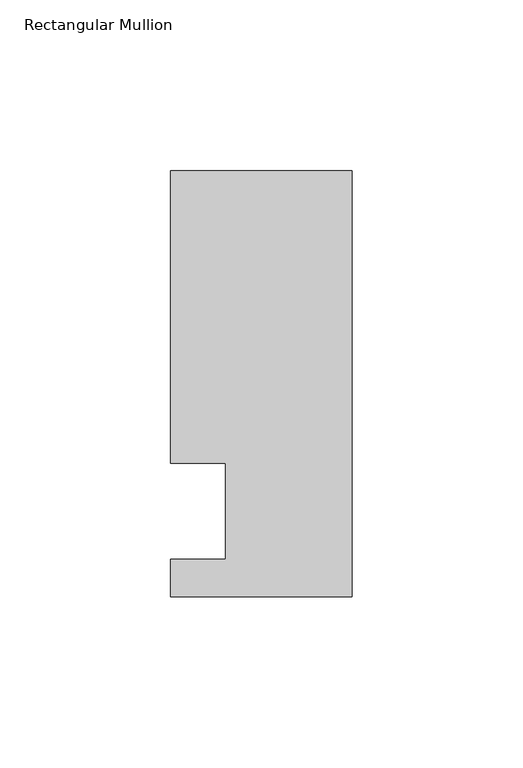
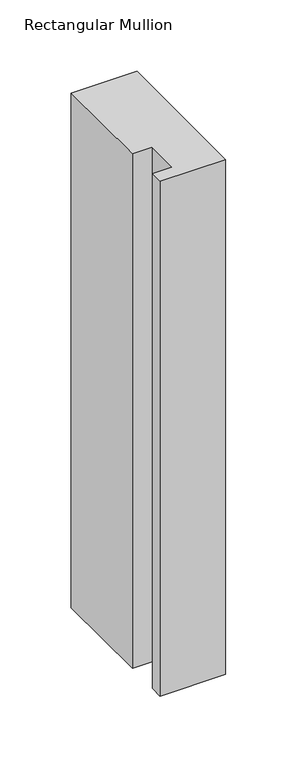
"""IFC4 building model written with IfcOpenShell, lengths in millimetres: member geometry, Rectangular Mullion."""

import ifcopenshell
import ifcopenshell.guid

model = None  # the IFC model being written
_history = None  # IfcOwnerHistory: only IFC2X3 demands one
_inside = {}  # id of a spatial element -> (the spatial element, [elements in it])
_under = {}  # id of a project, library or spatial element -> (it, [spatial elements below it])
_declared = {}  # id of a project -> (the project, [libraries it declares])
_typed = {}  # id of a type object -> (the type object, [elements of that type])
_made_of = {}  # id of a material, layer set ... -> (it, [elements and type objects made of it])


def new_model(schema):
    """Start an empty IFC model of exactly this schema.

    Asked for "IFC4X3", IfcOpenShell would pick the latest addendum, in which some entities
    have other attributes; the version numbers below select the first issue.
    IFC2X3 requires an IfcOwnerHistory on every rooted entity: one is made here for all.
    """
    global model, _history
    if schema == "IFC4X3":
        model = ifcopenshell.file(schema_version=(4, 3, 0, 0))
    else:
        model = ifcopenshell.file(schema=schema)
    _inside.clear()
    _under.clear()
    _declared.clear()
    _typed.clear()
    _made_of.clear()
    _history = None
    if model.schema == "IFC2X3":
        org = make("IfcOrganization", Name="unknown")
        user = make(
            "IfcPersonAndOrganization",
            ThePerson=make("IfcPerson", FamilyName="unknown"),
            TheOrganization=org,
        )
        app = make(
            "IfcApplication",
            ApplicationDeveloper=org,
            Version="unknown",
            ApplicationFullName="unknown",
            ApplicationIdentifier="unknown",
        )
        _history = make(
            "IfcOwnerHistory",
            OwningUser=user,
            OwningApplication=app,
            ChangeAction="ADDED",
            CreationDate=0,
        )
    return model


def make(cls, **values):
    """One entity of the class cls with the attributes given. An attribute that is None is left unset."""
    return model.create_entity(
        cls, **{name: value for name, value in values.items() if value is not None}
    )


def rooted(cls, **values):
    """An entity with a GlobalId (a new one), such as an element, a storey or a relation."""
    return make(cls, GlobalId=ifcopenshell.guid.new(), OwnerHistory=_history, **values)


def si_unit(unit_type, name, prefix=None):
    """IfcSIUnit, for example si_unit("LENGTHUNIT", "METRE", prefix="MILLI")."""
    return make("IfcSIUnit", UnitType=unit_type, Prefix=prefix, Name=name)


def assignment(units):
    """IfcUnitAssignment: the units of a project."""
    return None if units is None else make("IfcUnitAssignment", Units=units)


def point(xyz):
    """IfcCartesianPoint."""
    return None if xyz is None else make("IfcCartesianPoint", Coordinates=xyz)


def direction(xyz):
    """IfcDirection."""
    return None if xyz is None else make("IfcDirection", DirectionRatios=xyz)


def frame(location, z_axis=None, x_axis=None):
    """IfcAxis2Placement3D, a coordinate frame: its origin and axes. An axis left out is left unset."""
    return make(
        "IfcAxis2Placement3D",
        Location=point(location),
        Axis=direction(z_axis),
        RefDirection=direction(x_axis),
    )


def origin():
    """The frame at (0, 0, 0) with its axes left unset."""
    return frame((0.0, 0.0, 0.0))


def place(relative_to, where):
    """IfcLocalPlacement: puts the frame where relative to a parent placement (None: the world)."""
    return make(
        "IfcLocalPlacement", PlacementRelTo=relative_to, RelativePlacement=where
    )


def context(
    kind, dimensions, precision=None, world=None, true_north=None, identifier=None
):
    """IfcGeometricRepresentationContext, for example the 3D "Model" context."""
    return make(
        "IfcGeometricRepresentationContext",
        ContextIdentifier=identifier,
        ContextType=kind,
        CoordinateSpaceDimension=dimensions,
        Precision=precision,
        WorldCoordinateSystem=world,
        TrueNorth=true_north,
    )


def project(units=None, contexts=None):
    """IfcProject with its units and contexts."""
    return rooted(
        "IfcProject",
        Name="project",
        RepresentationContexts=contexts,
        UnitsInContext=assignment(units),
    )


def spatial(cls, under=None, at=None, **own):
    """A site, building, storey or space (cls), placed at a placement, below another one or the project."""
    s = rooted(cls, ObjectPlacement=at, **own)
    if under is not None:
        _under.setdefault(under.id(), (under, []))[1].append(s)
    return s


def polyline(points):
    """IfcPolyline through the points."""
    return make("IfcPolyline", Points=[point(p) for p in points])


def outline(outer, holes=None, kind="AREA"):
    """IfcArbitraryClosedProfileDef: a profile drawn as a closed curve; with holes, ...WithVoids."""
    if holes is None:
        return make("IfcArbitraryClosedProfileDef", ProfileType=kind, OuterCurve=outer)
    return make(
        "IfcArbitraryProfileDefWithVoids",
        ProfileType=kind,
        OuterCurve=outer,
        InnerCurves=holes,
    )


def extrude(swept, where, along, depth):
    """IfcExtrudedAreaSolid: the profile swept, set in the frame where, extruded along a direction by depth."""
    return make(
        "IfcExtrudedAreaSolid",
        SweptArea=swept,
        Position=where,
        ExtrudedDirection=direction(along),
        Depth=depth,
    )


def shape(context_of_items, identifier, shape_type, items):
    """IfcShapeRepresentation: the items that make up one representation, for example the "Body"."""
    return make(
        "IfcShapeRepresentation",
        ContextOfItems=context_of_items,
        RepresentationIdentifier=identifier,
        RepresentationType=shape_type,
        Items=items,
    )


def source(mapping_origin, context_of_items, identifier, shape_type, items):
    """IfcRepresentationMap: a shape defined once, which mapped items show again and again."""
    return make(
        "IfcRepresentationMap",
        MappingOrigin=mapping_origin,
        MappedRepresentation=shape(context_of_items, identifier, shape_type, items),
    )


def transform(
    local_origin,
    x_axis=None,
    y_axis=None,
    z_axis=None,
    scale=None,
    scale2=None,
    scale3=None,
    uniform=True,
):
    """IfcCartesianTransformationOperator3D, or its non-uniform kind. x_axis, y_axis, z_axis: its Axis1, 2, 3."""
    if uniform:
        return make(
            "IfcCartesianTransformationOperator3D",
            Axis1=direction(x_axis),
            Axis2=direction(y_axis),
            LocalOrigin=point(local_origin),
            Scale=scale,
            Axis3=direction(z_axis),
        )
    return make(
        "IfcCartesianTransformationOperator3DnonUniform",
        Axis1=direction(x_axis),
        Axis2=direction(y_axis),
        LocalOrigin=point(local_origin),
        Scale=scale,
        Axis3=direction(z_axis),
        Scale2=scale2,
        Scale3=scale3,
    )


def mapped(mapping_source, mapping_target):
    """IfcMappedItem: shows the shape of a source again, moved by a transform."""
    return make(
        "IfcMappedItem", MappingSource=mapping_source, MappingTarget=mapping_target
    )


def made_of(thing, what):
    """Note that an element or type object is made of a material, layer set ...; save() writes the relation."""
    if what is not None:
        _made_of.setdefault(what.id(), (what, []))[1].append(thing)
    return thing


def element(
    cls,
    number,
    at=None,
    inside=None,
    cuts=None,
    type_object=None,
    material=None,
    context=None,
    identifier="Body",
    shape_type=None,
    held_by="IfcProductDefinitionShape",
    body=None,
    shapes=None,
    **own,
):
    """One element of the class cls, such as IfcWall. Its Tag is "e" and its number.

    at: its placement. inside: the storey or other place that contains it. cuts: it is an
    opening in that element (IfcRelVoidsElement). A single representation is given by context,
    identifier, shape_type and body (its items); several are given by shapes. held_by: the class
    of the entity that holds the representations. save() writes the other relations.
    """
    e = rooted(cls, Tag="e%d" % number, ObjectPlacement=at, **own)
    if body is not None:
        shapes = [shape(context, identifier, shape_type, body)]
    if shapes is not None:
        e.Representation = make(held_by, Representations=shapes)
    if inside is not None:
        _inside.setdefault(inside.id(), (inside, []))[1].append(e)
    if cuts is not None:
        rooted(
            "IfcRelVoidsElement", RelatingBuildingElement=cuts, RelatedOpeningElement=e
        )
    if type_object is not None:
        _typed.setdefault(type_object.id(), (type_object, []))[1].append(e)
    return made_of(e, material)


def aggregate(whole, parts):
    """IfcRelAggregates: a whole, such as a stair, and the parts it consists of."""
    return rooted("IfcRelAggregates", RelatingObject=whole, RelatedObjects=parts)


def save(model, path):
    """Write the relations noted so far, then the file.

    IfcRelAggregates (storeys below a building ...), IfcRelContainedInSpatialStructure (elements
    in a storey), IfcRelDefinesByType, IfcRelAssociatesMaterial and IfcRelDeclares: one each for
    every whole, place, type object, material and project.
    """
    for whole, parts in _under.values():
        aggregate(whole, parts)
    for where, things in _inside.values():
        rooted(
            "IfcRelContainedInSpatialStructure",
            RelatedElements=things,
            RelatingStructure=where,
        )
    for kind, things in _typed.values():
        rooted("IfcRelDefinesByType", RelatedObjects=things, RelatingType=kind)
    for what, things in _made_of.values():
        rooted("IfcRelAssociatesMaterial", RelatedObjects=things, RelatingMaterial=what)
    for by, libraries in _declared.values():
        rooted("IfcRelDeclares", RelatingContext=by, RelatedDefinitions=libraries)
    model.write(path)


def rectangular_mullion_d827bccb(model_context):
    return source(origin(), model_context, "Body", "SweptSolid", [
        extrude(outline(polyline([(0.0, -25.0), (-53.0, -25.0), (-53.0, -14.0), (-37.0, -14.0), (-37.0, 14.0), (-53.0, 14.0), (-53.0, 99.5), (0.0, 99.5), (0.0, -25.0)])), frame((0.0, 0.0, -440.1322637), z_axis=(0.0, 0.0, 1.0), x_axis=(1.0, 0.0, 0.0)), (0.0, 0.0, 1.0), 440.1322637),
    ])


if __name__ == "__main__":
    model = new_model("IFC4")
    model_context = context("Model", 3, world=origin())
    ifc_project = project(units=[si_unit("LENGTHUNIT", "METRE", prefix="MILLI")], contexts=[model_context])
    site = spatial("IfcSite", under=ifc_project)
    building = spatial("IfcBuilding", under=site)
    placement = place(None, origin())
    rectangular_mullion_shape = rectangular_mullion_d827bccb(model_context)
    element("IfcMember", 1, ObjectType="Rectangular Mullion", at=placement, inside=building, context=model_context, shape_type="MappedRepresentation", body=[
        mapped(rectangular_mullion_shape, transform((0.0, 0.0, 0.0), x_axis=(1.0, 0.0, 0.0), y_axis=(0.0, 1.0, 0.0), z_axis=(0.0, 0.0, 1.0))),
    ])
    save(model, "model.ifc")
